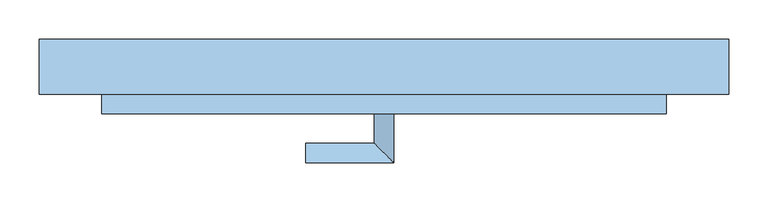
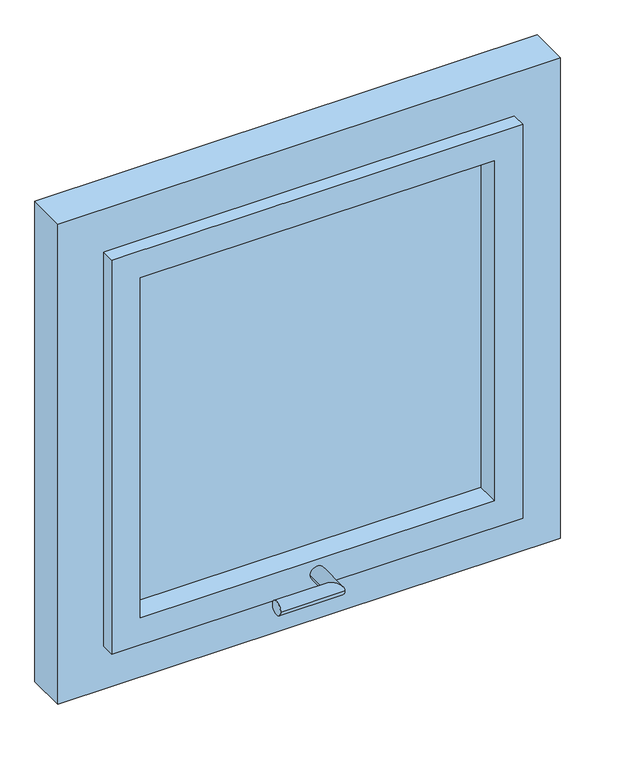
"""IFC4 building model written with IfcOpenShell, lengths in millimetres: window geometry."""

from ifc_helpers import new_model, si_unit, frame, origin, place, context, project, spatial, polyline, circle_curve, ellipse_curve, outline, extrude, faceted_brep, source, transform, mapped, element, save
from ifc_brep_helpers import plane_surface, cylinder_surface, advanced_brep


def window_329c73b1(model_context):
    return source(origin(), model_context, "Body", "SolidModel", [
        advanced_brep(
        [(244.3584094, -139.9407167, 1005.0), (269.3584094, -139.9407167, 1005.0), (244.3584094, -177.4407167, 1005.0), (269.3584094, -202.4407167, 1005.0), (156.8584094, -177.4407167, 1005.0), (156.8584094, -202.4407167, 1005.0)],
        [
            (0, 1, circle_curve(frame((256.8584094, -139.9407167, 1005.0), z_axis=(0.0, 1.0, 0.0), x_axis=(1.0, 0.0, 0.0)), 12.5)),
            (1, 0, circle_curve(frame((256.8584094, -139.9407167, 1005.0), z_axis=(0.0, 1.0, 0.0), x_axis=(1.0, 0.0, 0.0)), 12.5)),
            (0, 2),
            (2, 3, ellipse_curve(frame((256.8584094, -189.9407167, 1005.0), z_axis=(0.7071067811865475, 0.7071067811865475, 0.0), x_axis=(-0.7071067811865474, 0.7071067811865476, 0.0)), 17.6776695, 12.5)),
            (3, 1),
            (3, 2, ellipse_curve(frame((256.8584094, -189.9407167, 1005.0), z_axis=(0.7071067811865475, 0.7071067811865475, 0.0), x_axis=(-0.7071067811865474, 0.7071067811865476, 0.0)), 17.6776695, 12.5)),
            (4, 5, circle_curve(frame((156.8584094, -189.9407167, 1005.0), z_axis=(-1.0, 0.0, 0.0), x_axis=(0.0, -1.0, 0.0)), 12.5)),
            (5, 4, circle_curve(frame((156.8584094, -189.9407167, 1005.0), z_axis=(-1.0, 0.0, 0.0), x_axis=(0.0, -1.0, 0.0)), 12.5)),
            (2, 4),
            (5, 3),
        ],
        [
            plane_surface(frame((256.8584094, -139.9407167, 1005.0), z_axis=(0.0, 1.0, 0.0), x_axis=(0.0, 0.0, 1.0))),
            cylinder_surface(frame((256.8584094, -139.9407167, 1005.0), z_axis=(0.0, 1.0, 0.0), x_axis=(1.0, 0.0, 0.0)), 12.5),
            plane_surface(frame((156.8584094, -189.9407167, 1005.0), z_axis=(-1.0, 0.0, 0.0), x_axis=(0.0, 0.0, 1.0))),
            cylinder_surface(frame((256.8584094, -189.9407167, 1005.0), z_axis=(1.0, 0.0, 0.0), x_axis=(0.0, -1.0, 0.0)), 12.5),
        ],
        [
            (0, [[1, 2]]),
            (1, [[-1, 3, 4, 5]]),
            (1, [[-2, -5, 6, -3]]),
            (2, [[7, 8]]),
            (3, [[-4, 9, -8, 10]]),
            (3, [[-6, -10, -7, -9]]),
        ],
    ),
        extrude(outline(polyline([(566.8584094, -90.9407167), (566.8584094, -98.9407167), (-53.1415906, -98.9407167), (-53.1415906, -90.9407167), (566.8584094, -90.9407167)])), frame((0.0, 0.0, 1030.0), z_axis=(0.0, 0.0, 1.0), x_axis=(1.0, 0.0, 0.0)), (0.0, 0.0, 1.0), 630.0),
        faceted_brep([(-103.1415906, -69.9407167, 980.0), (616.8584094, -69.9407167, 980.0), (616.8584094, -114.9407167, 980.0), (616.8584094, -139.9407167, 980.0), (-103.1415906, -139.9407167, 980.0), (-103.1415906, -114.9407167, 980.0), (-53.1415906, -69.9407167, 1030.0), (-53.1415906, -139.9407167, 1030.0), (566.8584094, -139.9407167, 1030.0), (566.8584094, -69.9407167, 1030.0), (616.8584094, -69.9407167, 1710.0), (616.8584094, -114.9407167, 1710.0), (616.8584094, -139.9407167, 1710.0), (566.8584094, -139.9407167, 1660.0), (566.8584094, -69.9407167, 1660.0), (-103.1415906, -69.9407167, 1710.0), (-103.1415906, -114.9407167, 1710.0), (-103.1415906, -139.9407167, 1710.0), (-53.1415906, -139.9407167, 1660.0), (-53.1415906, -69.9407167, 1660.0)], [[[0, 1, 2, 3, 4, 5]], [[6, 7, 8, 9]], [[1, 10, 11, 12, 3, 2]], [[9, 8, 13, 14]], [[10, 15, 16, 17, 12, 11]], [[14, 13, 18, 19]], [[1, 0, 15, 10], [6, 9, 14, 19]], [[15, 0, 5, 4, 17, 16]], [[4, 3, 12, 17], [8, 7, 18, 13]], [[7, 6, 19, 18]]]),
        extrude(outline(polyline([(1790.0, 696.8584094), (1790.0, -183.1415906), (900.0, -183.1415906), (900.0, 696.8584094), (1790.0, 696.8584094)]), holes=[polyline([(1710.0, -103.1415906), (1710.0, 616.8584094), (980.0, 616.8584094), (980.0, -103.1415906), (1710.0, -103.1415906)])]), frame((0.0, -114.9407167, 0.0), z_axis=(0.0, 1.0, 0.0), x_axis=(0.0, 0.0, 1.0)), (0.0, 0.0, 1.0), 70.0),
    ])


if __name__ == "__main__":
    model = new_model("IFC4")
    model_context = context("Model", 3, world=origin())
    ifc_project = project(units=[si_unit("LENGTHUNIT", "METRE", prefix="MILLI")], contexts=[model_context])
    site = spatial("IfcSite", under=ifc_project)
    building = spatial("IfcBuilding", under=site)
    placement = place(None, origin())
    window_shape = window_329c73b1(model_context)
    element("IfcWindow", 1, at=placement, inside=building, context=model_context, shape_type="MappedRepresentation", body=[
        mapped(window_shape, transform((0.0, 0.0, 0.0), x_axis=(1.0, 0.0, 0.0), y_axis=(0.0, 1.0, 0.0), z_axis=(0.0, 0.0, 1.0))),
    ])
    save(model, "model.ifc")
